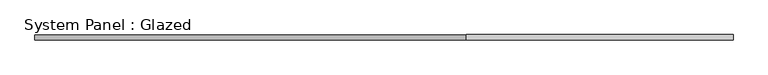
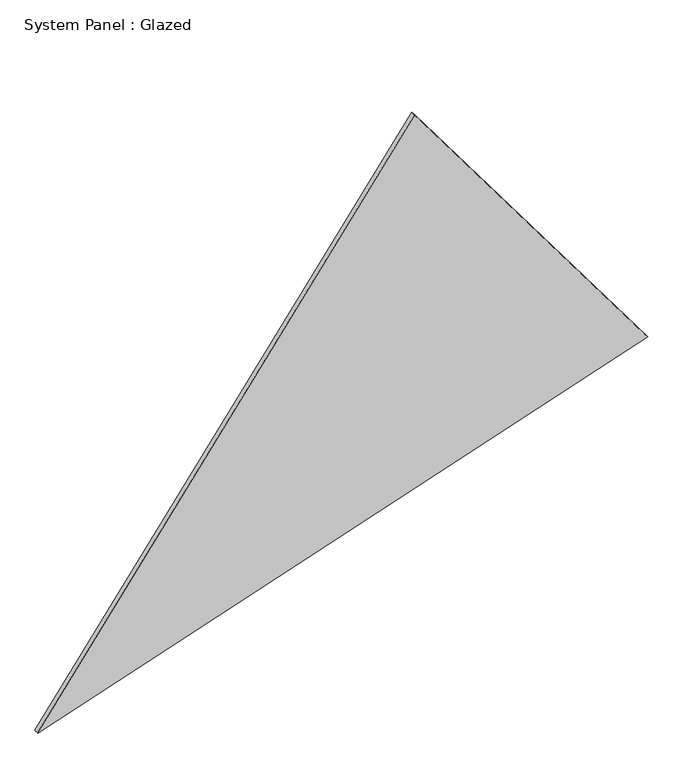
"""IFC4 building model written with IfcOpenShell, lengths in millimetres: plate geometry, System Panel : Glazed."""

from ifc_helpers import new_model, si_unit, frame, origin, place, context, project, spatial, polyline, outline, extrude, source, transform, mapped, element, save


def system_panel_glazed_3c33e7c1(model_context):
    return source(origin(), model_context, "Body", "SweptSolid", [
        extrude(outline(polyline([(1.2639589, -1630.1495259), (0.0, -1629.2185588), (1097.0783263, 1630.1495259), (2788.5872162, 384.2710421), (1.2639589, -1630.1495259)])), frame((0.0, -49.5, 0.0), z_axis=(0.0, 1.0, 0.0), x_axis=(0.0, 0.0, 1.0)), (0.0, 0.0, 1.0), 25.0),
    ])


if __name__ == "__main__":
    model = new_model("IFC4")
    model_context = context("Model", 3, world=origin())
    ifc_project = project(units=[si_unit("LENGTHUNIT", "METRE", prefix="MILLI")], contexts=[model_context])
    site = spatial("IfcSite", under=ifc_project)
    building = spatial("IfcBuilding", under=site)
    placement = place(None, origin())
    system_panel_glazed_shape = system_panel_glazed_3c33e7c1(model_context)
    element("IfcPlate", 1, ObjectType="System Panel : Glazed", at=placement, inside=building, context=model_context, shape_type="MappedRepresentation", body=[
        mapped(system_panel_glazed_shape, transform((0.0, 0.0, 0.0), x_axis=(1.0, 0.0, 0.0), y_axis=(0.0, 1.0, 0.0), z_axis=(0.0, 0.0, 1.0))),
    ])
    save(model, "model.ifc")
